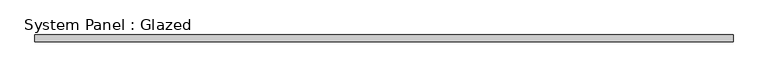
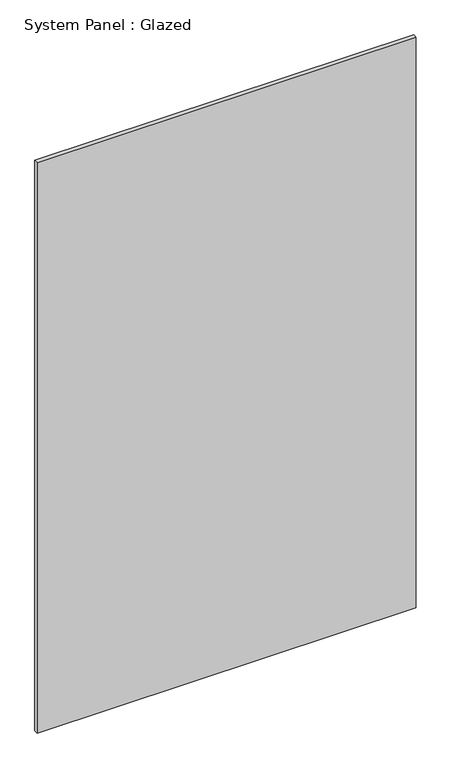
"""IFC4 building model written with IfcOpenShell, lengths in millimetres: plate geometry, System Panel : Glazed."""

import ifcopenshell
import ifcopenshell.guid

model = None  # the IFC model being written
_history = None  # IfcOwnerHistory: only IFC2X3 demands one
_inside = {}  # id of a spatial element -> (the spatial element, [elements in it])
_under = {}  # id of a project, library or spatial element -> (it, [spatial elements below it])
_declared = {}  # id of a project -> (the project, [libraries it declares])
_typed = {}  # id of a type object -> (the type object, [elements of that type])
_made_of = {}  # id of a material, layer set ... -> (it, [elements and type objects made of it])


def new_model(schema):
    """Start an empty IFC model of exactly this schema.

    Asked for "IFC4X3", IfcOpenShell would pick the latest addendum, in which some entities
    have other attributes; the version numbers below select the first issue.
    IFC2X3 requires an IfcOwnerHistory on every rooted entity: one is made here for all.
    """
    global model, _history
    if schema == "IFC4X3":
        model = ifcopenshell.file(schema_version=(4, 3, 0, 0))
    else:
        model = ifcopenshell.file(schema=schema)
    _inside.clear()
    _under.clear()
    _declared.clear()
    _typed.clear()
    _made_of.clear()
    _history = None
    if model.schema == "IFC2X3":
        org = make("IfcOrganization", Name="unknown")
        user = make(
            "IfcPersonAndOrganization",
            ThePerson=make("IfcPerson", FamilyName="unknown"),
            TheOrganization=org,
        )
        app = make(
            "IfcApplication",
            ApplicationDeveloper=org,
            Version="unknown",
            ApplicationFullName="unknown",
            ApplicationIdentifier="unknown",
        )
        _history = make(
            "IfcOwnerHistory",
            OwningUser=user,
            OwningApplication=app,
            ChangeAction="ADDED",
            CreationDate=0,
        )
    return model


def make(cls, **values):
    """One entity of the class cls with the attributes given. An attribute that is None is left unset."""
    return model.create_entity(
        cls, **{name: value for name, value in values.items() if value is not None}
    )


def rooted(cls, **values):
    """An entity with a GlobalId (a new one), such as an element, a storey or a relation."""
    return make(cls, GlobalId=ifcopenshell.guid.new(), OwnerHistory=_history, **values)


def si_unit(unit_type, name, prefix=None):
    """IfcSIUnit, for example si_unit("LENGTHUNIT", "METRE", prefix="MILLI")."""
    return make("IfcSIUnit", UnitType=unit_type, Prefix=prefix, Name=name)


def assignment(units):
    """IfcUnitAssignment: the units of a project."""
    return None if units is None else make("IfcUnitAssignment", Units=units)


def point(xyz):
    """IfcCartesianPoint."""
    return None if xyz is None else make("IfcCartesianPoint", Coordinates=xyz)


def direction(xyz):
    """IfcDirection."""
    return None if xyz is None else make("IfcDirection", DirectionRatios=xyz)


def frame(location, z_axis=None, x_axis=None):
    """IfcAxis2Placement3D, a coordinate frame: its origin and axes. An axis left out is left unset."""
    return make(
        "IfcAxis2Placement3D",
        Location=point(location),
        Axis=direction(z_axis),
        RefDirection=direction(x_axis),
    )


def origin():
    """The frame at (0, 0, 0) with its axes left unset."""
    return frame((0.0, 0.0, 0.0))


def origin_with_axes():
    """The frame at (0, 0, 0) with the z axis (0, 0, 1) and the x axis (1, 0, 0) written out."""
    return frame((0.0, 0.0, 0.0), z_axis=(0.0, 0.0, 1.0), x_axis=(1.0, 0.0, 0.0))


def place(relative_to, where):
    """IfcLocalPlacement: puts the frame where relative to a parent placement (None: the world)."""
    return make(
        "IfcLocalPlacement", PlacementRelTo=relative_to, RelativePlacement=where
    )


def context(
    kind, dimensions, precision=None, world=None, true_north=None, identifier=None
):
    """IfcGeometricRepresentationContext, for example the 3D "Model" context."""
    return make(
        "IfcGeometricRepresentationContext",
        ContextIdentifier=identifier,
        ContextType=kind,
        CoordinateSpaceDimension=dimensions,
        Precision=precision,
        WorldCoordinateSystem=world,
        TrueNorth=true_north,
    )


def project(units=None, contexts=None):
    """IfcProject with its units and contexts."""
    return rooted(
        "IfcProject",
        Name="project",
        RepresentationContexts=contexts,
        UnitsInContext=assignment(units),
    )


def spatial(cls, under=None, at=None, **own):
    """A site, building, storey or space (cls), placed at a placement, below another one or the project."""
    s = rooted(cls, ObjectPlacement=at, **own)
    if under is not None:
        _under.setdefault(under.id(), (under, []))[1].append(s)
    return s


def polyline(points):
    """IfcPolyline through the points."""
    return make("IfcPolyline", Points=[point(p) for p in points])


def outline(outer, holes=None, kind="AREA"):
    """IfcArbitraryClosedProfileDef: a profile drawn as a closed curve; with holes, ...WithVoids."""
    if holes is None:
        return make("IfcArbitraryClosedProfileDef", ProfileType=kind, OuterCurve=outer)
    return make(
        "IfcArbitraryProfileDefWithVoids",
        ProfileType=kind,
        OuterCurve=outer,
        InnerCurves=holes,
    )


def extrude(swept, where, along, depth):
    """IfcExtrudedAreaSolid: the profile swept, set in the frame where, extruded along a direction by depth."""
    return make(
        "IfcExtrudedAreaSolid",
        SweptArea=swept,
        Position=where,
        ExtrudedDirection=direction(along),
        Depth=depth,
    )


def shape(context_of_items, identifier, shape_type, items):
    """IfcShapeRepresentation: the items that make up one representation, for example the "Body"."""
    return make(
        "IfcShapeRepresentation",
        ContextOfItems=context_of_items,
        RepresentationIdentifier=identifier,
        RepresentationType=shape_type,
        Items=items,
    )


def source(mapping_origin, context_of_items, identifier, shape_type, items):
    """IfcRepresentationMap: a shape defined once, which mapped items show again and again."""
    return make(
        "IfcRepresentationMap",
        MappingOrigin=mapping_origin,
        MappedRepresentation=shape(context_of_items, identifier, shape_type, items),
    )


def transform(
    local_origin,
    x_axis=None,
    y_axis=None,
    z_axis=None,
    scale=None,
    scale2=None,
    scale3=None,
    uniform=True,
):
    """IfcCartesianTransformationOperator3D, or its non-uniform kind. x_axis, y_axis, z_axis: its Axis1, 2, 3."""
    if uniform:
        return make(
            "IfcCartesianTransformationOperator3D",
            Axis1=direction(x_axis),
            Axis2=direction(y_axis),
            LocalOrigin=point(local_origin),
            Scale=scale,
            Axis3=direction(z_axis),
        )
    return make(
        "IfcCartesianTransformationOperator3DnonUniform",
        Axis1=direction(x_axis),
        Axis2=direction(y_axis),
        LocalOrigin=point(local_origin),
        Scale=scale,
        Axis3=direction(z_axis),
        Scale2=scale2,
        Scale3=scale3,
    )


def mapped(mapping_source, mapping_target):
    """IfcMappedItem: shows the shape of a source again, moved by a transform."""
    return make(
        "IfcMappedItem", MappingSource=mapping_source, MappingTarget=mapping_target
    )


def made_of(thing, what):
    """Note that an element or type object is made of a material, layer set ...; save() writes the relation."""
    if what is not None:
        _made_of.setdefault(what.id(), (what, []))[1].append(thing)
    return thing


def element(
    cls,
    number,
    at=None,
    inside=None,
    cuts=None,
    type_object=None,
    material=None,
    context=None,
    identifier="Body",
    shape_type=None,
    held_by="IfcProductDefinitionShape",
    body=None,
    shapes=None,
    **own,
):
    """One element of the class cls, such as IfcWall. Its Tag is "e" and its number.

    at: its placement. inside: the storey or other place that contains it. cuts: it is an
    opening in that element (IfcRelVoidsElement). A single representation is given by context,
    identifier, shape_type and body (its items); several are given by shapes. held_by: the class
    of the entity that holds the representations. save() writes the other relations.
    """
    e = rooted(cls, Tag="e%d" % number, ObjectPlacement=at, **own)
    if body is not None:
        shapes = [shape(context, identifier, shape_type, body)]
    if shapes is not None:
        e.Representation = make(held_by, Representations=shapes)
    if inside is not None:
        _inside.setdefault(inside.id(), (inside, []))[1].append(e)
    if cuts is not None:
        rooted(
            "IfcRelVoidsElement", RelatingBuildingElement=cuts, RelatedOpeningElement=e
        )
    if type_object is not None:
        _typed.setdefault(type_object.id(), (type_object, []))[1].append(e)
    return made_of(e, material)


def aggregate(whole, parts):
    """IfcRelAggregates: a whole, such as a stair, and the parts it consists of."""
    return rooted("IfcRelAggregates", RelatingObject=whole, RelatedObjects=parts)


def save(model, path):
    """Write the relations noted so far, then the file.

    IfcRelAggregates (storeys below a building ...), IfcRelContainedInSpatialStructure (elements
    in a storey), IfcRelDefinesByType, IfcRelAssociatesMaterial and IfcRelDeclares: one each for
    every whole, place, type object, material and project.
    """
    for whole, parts in _under.values():
        aggregate(whole, parts)
    for where, things in _inside.values():
        rooted(
            "IfcRelContainedInSpatialStructure",
            RelatedElements=things,
            RelatingStructure=where,
        )
    for kind, things in _typed.values():
        rooted("IfcRelDefinesByType", RelatedObjects=things, RelatingType=kind)
    for what, things in _made_of.values():
        rooted("IfcRelAssociatesMaterial", RelatedObjects=things, RelatingMaterial=what)
    for by, libraries in _declared.values():
        rooted("IfcRelDeclares", RelatingContext=by, RelatedDefinitions=libraries)
    model.write(path)


def system_panel_glazed_e80f8bd5(model_context):
    return source(origin(), model_context, "Body", "SweptSolid", [
        extrude(outline(polyline([(1257.5000002, -49.5), (-1257.5000002, -49.5), (-1257.5000002, -24.5), (1257.5000002, -24.5), (1257.5000002, -49.5)])), origin_with_axes(), (0.0, 0.0, 1.0), 4000.0),
    ])


if __name__ == "__main__":
    model = new_model("IFC4")
    model_context = context("Model", 3, world=origin())
    ifc_project = project(units=[si_unit("LENGTHUNIT", "METRE", prefix="MILLI")], contexts=[model_context])
    site = spatial("IfcSite", under=ifc_project)
    building = spatial("IfcBuilding", under=site)
    placement = place(None, origin())
    system_panel_glazed_shape = system_panel_glazed_e80f8bd5(model_context)
    element("IfcPlate", 1, ObjectType="System Panel : Glazed", at=placement, inside=building, context=model_context, shape_type="MappedRepresentation", body=[
        mapped(system_panel_glazed_shape, transform((0.0, 0.0, 0.0), x_axis=(1.0, 0.0, 0.0), y_axis=(0.0, 1.0, 0.0), z_axis=(0.0, 0.0, 1.0))),
    ])
    save(model, "model.ifc")
